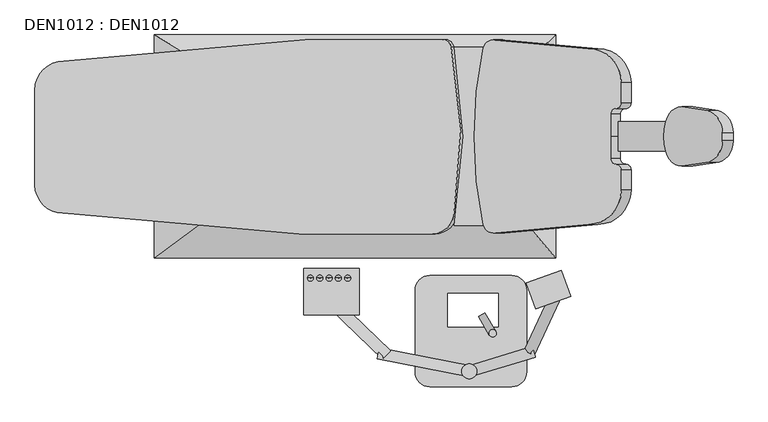
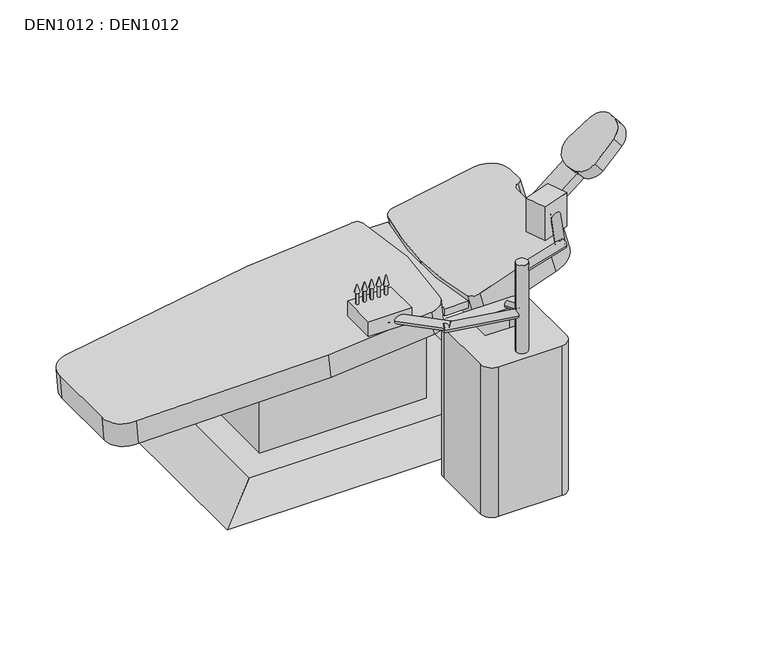
"""IFC4 building model written with IfcOpenShell, lengths in millimetres: proxy geometry, DEN1012 : DEN1012."""

from ifc_helpers import new_model, si_unit, point, frame, frame_2d, origin, origin_with_axes, place, context, project, spatial, polyline, circle_curve, trimmed, segment, composite_curve, outline, extrude, faceted_brep, source, transform, mapped, element, save
from ifc_brep_helpers import plane_surface, revolved_surface, advanced_brep


def den1012_den1012_ed4fbd53(model_context):
    return source(origin(), model_context, "Body", "SolidModel", [
        extrude(outline(composite_curve([segment(trimmed(circle_curve(frame_2d((0.0, -10.0000001)), 10.0), [point((0.0, -20.0))], [point((0.0, 0.0))], False, "CARTESIAN"), True, "CONTINUOUS"), segment(trimmed(circle_curve(frame_2d((0.0, -10.0000001)), 10.0), [point((0.0, 0.0))], [point((0.0, -20.0))], False, "CARTESIAN"), True, "CONTINUOUS")], self_intersect=False)), frame((-692.303013, -525.3629724, 615.1540816), z_axis=(-0.4999999999999925, 0.866025403784443, 0.0), x_axis=(0.0, 0.0, 1.0)), (0.0, 0.0, 1.0), 57.6129318),
        extrude(outline(composite_curve([segment(trimmed(circle_curve(frame_2d((-700.2561574, -530.0439925)), 10.0), [point((-695.2561574, -538.7042466))], [point((-705.2561574, -521.3837385))], False, "CARTESIAN"), True, "CONTINUOUS"), segment(trimmed(circle_curve(frame_2d((-700.2561574, -530.0439925)), 10.0), [point((-705.2561574, -521.3837385))], [point((-695.2561574, -538.7042466))], False, "CARTESIAN"), True, "CONTINUOUS")], self_intersect=False)), frame((0.0, 0.0, 550.0), z_axis=(0.0, 0.0, 1.0), x_axis=(1.0, 0.0, 0.0)), (0.0, 0.0, 1.0), 81.7298585),
        extrude(outline(polyline([(-516.3938339, -360.2493736), (-490.7423232, -430.7263202), (-584.7115852, -464.9283345), (-610.363096, -394.451388), (-516.3938339, -360.2493736)])), frame((0.0, 0.0, 787.8177316), z_axis=(0.0, 0.0, 1.0), x_axis=(1.0, 0.0, 0.0)), (0.0, 0.0, 1.0), 122.0281806),
        extrude(outline(composite_curve([segment(trimmed(circle_curve(frame_2d((0.0, -15.0)), 15.0), [point((0.0, -30.0))], [point((0.0, 0.0))], False, "CARTESIAN"), True, "CONTINUOUS"), segment(trimmed(circle_curve(frame_2d((0.0, -15.0)), 15.0), [point((0.0, 0.0))], [point((0.0, -30.0))], False, "CARTESIAN"), True, "CONTINUOUS")], self_intersect=False)), frame((-588.1709707, -589.0718243, 848.546314), z_axis=(0.4226182617407122, 0.906307787036644, 0.0), x_axis=(0.0, 0.0, 1.0)), (0.0, 0.0, 1.0), 178.6787431),
        advanced_brep(
        [(-1091.2386766, -381.5206893, 787.8177316), (-1089.6656345, -381.5206893, 787.8177316), (-1098.5958029, -381.5206893, 753.4267351), (-1082.3085083, -381.5206893, 753.4267351)],
        [
            (0, 1, circle_curve(frame((-1090.4521556, -381.5206893, 787.8177316), z_axis=(0.0, 0.0, 1.0), x_axis=(-1.0, 0.0, 0.0)), 0.7865211)),
            (1, 0, circle_curve(frame((-1090.4521556, -381.5206893, 787.8177316), z_axis=(0.0, 0.0, 1.0), x_axis=(1.0, 0.0, 0.0)), 0.7865211)),
            (2, 3, circle_curve(frame((-1090.4521556, -381.5206893, 753.4267351), z_axis=(0.0, 0.0, -1.0), x_axis=(1.0, 0.0, 0.0)), 8.1436473)),
            (3, 2, circle_curve(frame((-1090.4521556, -381.5206893, 753.4267351), z_axis=(0.0, 0.0, -1.0), x_axis=(-1.0, 0.0, 0.0)), 8.1436473)),
            (3, 1),
            (0, 2),
        ],
        [
            plane_surface(frame((-1090.4521556, -381.5206893, 787.8177316), z_axis=(0.0, 0.0, 1.0), x_axis=(0.0, -1.0, 0.0))),
            plane_surface(frame((-1090.4521556, -381.5206893, 753.4267351), z_axis=(0.0, 0.0, -1.0), x_axis=(0.0, -1.0, 0.0))),
            revolved_surface(polyline([(-1091.238676651691, -381.5206893, 787.8177316), (-1098.5958029, -381.5206893, 753.4267351)]), (-1090.4521556, -381.5206893, 791.494336), (0.0, 0.0, -1.0)),
            revolved_surface(polyline([(-1089.6656345483088, -381.5206893, 787.8177316), (-1082.3085083, -381.5206893, 753.4267351)]), (-1090.4521556, -381.5206893, 791.494336), (0.0, 0.0, -1.0)),
        ],
        [
            (0, [[1, 2]]),
            (1, [[3, 4]]),
            (2, [[-4, 5, -1, 6]]),
            (3, [[-3, -6, -2, -5]]),
        ],
    ),
        advanced_brep(
        [(-1116.2386766, -381.5206893, 787.8177316), (-1114.6656345, -381.5206893, 787.8177316), (-1123.5958029, -381.5206893, 760.4286091), (-1107.3085083, -381.5206893, 760.4286091)],
        [
            (0, 1, circle_curve(frame((-1115.4521556, -381.5206893, 787.8177316), z_axis=(0.0, 0.0, 1.0), x_axis=(-1.0, 0.0, 0.0)), 0.7865211)),
            (1, 0, circle_curve(frame((-1115.4521556, -381.5206893, 787.8177316), z_axis=(0.0, 0.0, 1.0), x_axis=(1.0, 0.0, 0.0)), 0.7865211)),
            (2, 3, circle_curve(frame((-1115.4521556, -381.5206893, 760.4286091), z_axis=(0.0, 0.0, -1.0), x_axis=(1.0, 0.0, 0.0)), 8.1436473)),
            (3, 2, circle_curve(frame((-1115.4521556, -381.5206893, 760.4286091), z_axis=(0.0, 0.0, -1.0), x_axis=(-1.0, 0.0, 0.0)), 8.1436473)),
            (3, 1),
            (0, 2),
        ],
        [
            plane_surface(frame((-1115.4521556, -381.5206893, 787.8177316), z_axis=(0.0, 0.0, 1.0), x_axis=(0.0, -1.0, 0.0))),
            plane_surface(frame((-1115.4521556, -381.5206893, 760.4286091), z_axis=(0.0, 0.0, -1.0), x_axis=(0.0, -1.0, 0.0))),
            revolved_surface(polyline([(-1116.2386766394065, -381.5206893, 787.8177316), (-1123.5958029, -381.5206893, 760.4286091)]), (-1115.4521556, -381.5206893, 790.7457935), (0.0, 0.0, -1.0)),
            revolved_surface(polyline([(-1114.6656345605934, -381.5206893, 787.8177316), (-1107.3085083, -381.5206893, 760.4286091)]), (-1115.4521556, -381.5206893, 790.7457935), (0.0, 0.0, -1.0)),
        ],
        [
            (0, [[1, 2]]),
            (1, [[3, 4]]),
            (2, [[-4, 5, -1, 6]]),
            (3, [[-3, -6, -2, -5]]),
        ],
    ),
        advanced_brep(
        [(-1141.2386766, -381.5206893, 787.8177316), (-1139.6656345, -381.5206893, 787.8177316), (-1148.5958029, -381.5206893, 760.4286091), (-1132.3085083, -381.5206893, 760.4286091)],
        [
            (0, 1, circle_curve(frame((-1140.4521556, -381.5206893, 787.8177316), z_axis=(0.0, 0.0, 1.0), x_axis=(-1.0, 0.0, 0.0)), 0.7865211)),
            (1, 0, circle_curve(frame((-1140.4521556, -381.5206893, 787.8177316), z_axis=(0.0, 0.0, 1.0), x_axis=(1.0, 0.0, 0.0)), 0.7865211)),
            (2, 3, circle_curve(frame((-1140.4521556, -381.5206893, 760.4286091), z_axis=(0.0, 0.0, -1.0), x_axis=(1.0, 0.0, 0.0)), 8.1436473)),
            (3, 2, circle_curve(frame((-1140.4521556, -381.5206893, 760.4286091), z_axis=(0.0, 0.0, -1.0), x_axis=(-1.0, 0.0, 0.0)), 8.1436473)),
            (3, 1),
            (0, 2),
        ],
        [
            plane_surface(frame((-1140.4521556, -381.5206893, 787.8177316), z_axis=(0.0, 0.0, 1.0), x_axis=(0.0, -1.0, 0.0))),
            plane_surface(frame((-1140.4521556, -381.5206893, 760.4286091), z_axis=(0.0, 0.0, -1.0), x_axis=(0.0, -1.0, 0.0))),
            revolved_surface(polyline([(-1141.2386766394065, -381.5206893, 787.8177316), (-1148.5958029, -381.5206893, 760.4286091)]), (-1140.4521556, -381.5206893, 790.7457935), (0.0, 0.0, -1.0)),
            revolved_surface(polyline([(-1139.6656345605934, -381.5206893, 787.8177316), (-1132.3085083, -381.5206893, 760.4286091)]), (-1140.4521556, -381.5206893, 790.7457935), (0.0, 0.0, -1.0)),
        ],
        [
            (0, [[1, 2]]),
            (1, [[3, 4]]),
            (2, [[-4, 5, -1, 6]]),
            (3, [[-3, -6, -2, -5]]),
        ],
    ),
        advanced_brep(
        [(-1166.2386766, -381.5206893, 787.8177316), (-1164.6656345, -381.5206893, 787.8177316), (-1173.5958029, -381.5206893, 760.4286091), (-1157.3085083, -381.5206893, 760.4286091)],
        [
            (0, 1, circle_curve(frame((-1165.4521556, -381.5206893, 787.8177316), z_axis=(0.0, 0.0, 1.0), x_axis=(-1.0, 0.0, 0.0)), 0.7865211)),
            (1, 0, circle_curve(frame((-1165.4521556, -381.5206893, 787.8177316), z_axis=(0.0, 0.0, 1.0), x_axis=(1.0, 0.0, 0.0)), 0.7865211)),
            (2, 3, circle_curve(frame((-1165.4521556, -381.5206893, 760.4286091), z_axis=(0.0, 0.0, -1.0), x_axis=(1.0, 0.0, 0.0)), 8.1436473)),
            (3, 2, circle_curve(frame((-1165.4521556, -381.5206893, 760.4286091), z_axis=(0.0, 0.0, -1.0), x_axis=(-1.0, 0.0, 0.0)), 8.1436473)),
            (3, 1),
            (0, 2),
        ],
        [
            plane_surface(frame((-1165.4521556, -381.5206893, 787.8177316), z_axis=(0.0, 0.0, 1.0), x_axis=(0.0, -1.0, 0.0))),
            plane_surface(frame((-1165.4521556, -381.5206893, 760.4286091), z_axis=(0.0, 0.0, -1.0), x_axis=(0.0, -1.0, 0.0))),
            revolved_surface(polyline([(-1166.2386766394065, -381.5206893, 787.8177316), (-1173.5958029, -381.5206893, 760.4286091)]), (-1165.4521556, -381.5206893, 790.7457935), (0.0, 0.0, -1.0)),
            revolved_surface(polyline([(-1164.6656345605934, -381.5206893, 787.8177316), (-1157.3085083, -381.5206893, 760.4286091)]), (-1165.4521556, -381.5206893, 790.7457935), (0.0, 0.0, -1.0)),
        ],
        [
            (0, [[1, 2]]),
            (1, [[3, 4]]),
            (2, [[-4, 5, -1, 6]]),
            (3, [[-3, -6, -2, -5]]),
        ],
    ),
        advanced_brep(
        [(-1191.2386766, -381.5206893, 787.8177316), (-1189.6656345, -381.5206893, 787.8177316), (-1198.5958029, -381.5206893, 760.4286091), (-1182.3085083, -381.5206893, 760.4286091)],
        [
            (0, 1, circle_curve(frame((-1190.4521556, -381.5206893, 787.8177316), z_axis=(0.0, 0.0, 1.0), x_axis=(-1.0, 0.0, 0.0)), 0.7865211)),
            (1, 0, circle_curve(frame((-1190.4521556, -381.5206893, 787.8177316), z_axis=(0.0, 0.0, 1.0), x_axis=(1.0, 0.0, 0.0)), 0.7865211)),
            (2, 3, circle_curve(frame((-1190.4521556, -381.5206893, 760.4286091), z_axis=(0.0, 0.0, -1.0), x_axis=(1.0, 0.0, 0.0)), 8.1436473)),
            (3, 2, circle_curve(frame((-1190.4521556, -381.5206893, 760.4286091), z_axis=(0.0, 0.0, -1.0), x_axis=(-1.0, 0.0, 0.0)), 8.1436473)),
            (3, 1),
            (0, 2),
        ],
        [
            plane_surface(frame((-1190.4521556, -381.5206893, 787.8177316), z_axis=(0.0, 0.0, 1.0), x_axis=(0.0, -1.0, 0.0))),
            plane_surface(frame((-1190.4521556, -381.5206893, 760.4286091), z_axis=(0.0, 0.0, -1.0), x_axis=(0.0, -1.0, 0.0))),
            revolved_surface(polyline([(-1191.2386766394065, -381.5206893, 787.8177316), (-1198.5958029, -381.5206893, 760.4286091)]), (-1190.4521556, -381.5206893, 790.7457935), (0.0, 0.0, -1.0)),
            revolved_surface(polyline([(-1189.6656345605934, -381.5206893, 787.8177316), (-1182.3085083, -381.5206893, 760.4286091)]), (-1190.4521556, -381.5206893, 790.7457935), (0.0, 0.0, -1.0)),
        ],
        [
            (0, [[1, 2]]),
            (1, [[3, 4]]),
            (2, [[-4, 5, -1, 6]]),
            (3, [[-3, -6, -2, -5]]),
        ],
    ),
        extrude(outline(composite_curve([segment(trimmed(circle_curve(frame_2d((-1090.1808886, -381.425779)), 5.0), [point((-1095.1808886, -381.425779))], [point((-1085.1808886, -381.425779))], False, "CARTESIAN"), True, "CONTINUOUS"), segment(trimmed(circle_curve(frame_2d((-1090.1808886, -381.425779)), 5.0), [point((-1085.1808886, -381.425779))], [point((-1095.1808886, -381.425779))], False, "CARTESIAN"), True, "CONTINUOUS")], self_intersect=False)), frame((0.0, 0.0, 717.6094699), z_axis=(0.0, 0.0, 1.0), x_axis=(1.0, 0.0, 0.0)), (0.0, 0.0, 1.0), 42.8191392),
        extrude(outline(composite_curve([segment(trimmed(circle_curve(frame_2d((-1115.1808886, -381.425779)), 5.0), [point((-1120.1808886, -381.425779))], [point((-1110.1808886, -381.425779))], False, "CARTESIAN"), True, "CONTINUOUS"), segment(trimmed(circle_curve(frame_2d((-1115.1808886, -381.425779)), 5.0), [point((-1110.1808886, -381.425779))], [point((-1120.1808886, -381.425779))], False, "CARTESIAN"), True, "CONTINUOUS")], self_intersect=False)), frame((0.0, 0.0, 717.6094699), z_axis=(0.0, 0.0, 1.0), x_axis=(1.0, 0.0, 0.0)), (0.0, 0.0, 1.0), 42.8191392),
        extrude(outline(composite_curve([segment(trimmed(circle_curve(frame_2d((-1140.1808886, -381.425779)), 5.0), [point((-1145.1808886, -381.425779))], [point((-1135.1808886, -381.425779))], False, "CARTESIAN"), True, "CONTINUOUS"), segment(trimmed(circle_curve(frame_2d((-1140.1808886, -381.425779)), 5.0), [point((-1135.1808886, -381.425779))], [point((-1145.1808886, -381.425779))], False, "CARTESIAN"), True, "CONTINUOUS")], self_intersect=False)), frame((0.0, 0.0, 717.6094699), z_axis=(0.0, 0.0, 1.0), x_axis=(1.0, 0.0, 0.0)), (0.0, 0.0, 1.0), 42.8191392),
        extrude(outline(composite_curve([segment(trimmed(circle_curve(frame_2d((-1165.1808886, -381.425779)), 5.0), [point((-1170.1808886, -381.425779))], [point((-1160.1808886, -381.425779))], False, "CARTESIAN"), True, "CONTINUOUS"), segment(trimmed(circle_curve(frame_2d((-1165.1808886, -381.425779)), 5.0), [point((-1160.1808886, -381.425779))], [point((-1170.1808886, -381.425779))], False, "CARTESIAN"), True, "CONTINUOUS")], self_intersect=False)), frame((0.0, 0.0, 717.6094699), z_axis=(0.0, 0.0, 1.0), x_axis=(1.0, 0.0, 0.0)), (0.0, 0.0, 1.0), 42.8191392),
        extrude(outline(composite_curve([segment(trimmed(circle_curve(frame_2d((-1190.1808886, -381.425779)), 5.0), [point((-1195.1808886, -381.425779))], [point((-1185.1808886, -381.425779))], False, "CARTESIAN"), True, "CONTINUOUS"), segment(trimmed(circle_curve(frame_2d((-1190.1808886, -381.425779)), 5.0), [point((-1185.1808886, -381.425779))], [point((-1195.1808886, -381.425779))], False, "CARTESIAN"), True, "CONTINUOUS")], self_intersect=False)), frame((0.0, 0.0, 717.6094699), z_axis=(0.0, 0.0, 1.0), x_axis=(1.0, 0.0, 0.0)), (0.0, 0.0, 1.0), 42.8191392),
        extrude(outline(polyline([(-1059.0091098, -355.9601524), (-1059.0091098, -480.9601524), (-1209.0091098, -480.9601524), (-1209.0091098, -355.9601524), (-1059.0091098, -355.9601524)])), frame((0.0, 0.0, 663.1064969), z_axis=(0.0, 0.0, 1.0), x_axis=(1.0, 0.0, 0.0)), (0.0, 0.0, 1.0), 54.502973),
        extrude(outline(composite_curve([segment(trimmed(circle_curve(frame_2d((0.0, -15.9801888)), 15.9801888), [point((0.0, -31.9603777))], [point((0.0, 0.0))], False, "CARTESIAN"), True, "CONTINUOUS"), segment(trimmed(circle_curve(frame_2d((0.0, -15.9801888)), 15.9801888), [point((0.0, 0.0))], [point((0.0, -31.9603777))], False, "CARTESIAN"), True, "CONTINUOUS")], self_intersect=False)), frame((-996.625231, -599.7949572, 688.3454789), z_axis=(-0.7191753113370806, 0.6948286634582753, 0.0), x_axis=(0.0, 0.0, -1.0)), (0.0, 0.0, 1.0), 195.7516229),
        extrude(outline(composite_curve([segment(trimmed(circle_curve(frame_2d((0.0, -14.9999999)), 15.0), [point((0.0, -30.0))], [point((0.0, 0.0))], False, "CARTESIAN"), True, "CONTINUOUS"), segment(trimmed(circle_curve(frame_2d((0.0, -14.9999999)), 15.0), [point((0.0, 0.0))], [point((0.0, -30.0))], False, "CARTESIAN"), True, "CONTINUOUS")], self_intersect=False)), frame((-756.2332988, -646.3606294, 848.546314), z_axis=(0.9563047559630374, 0.29237170472273044, 0.0), x_axis=(0.0, 0.0, 1.0)), (0.0, 0.0, 1.0), 178.6787431),
        extrude(outline(composite_curve([segment(trimmed(circle_curve(frame_2d((0.0, -15.0)), 15.0), [point((0.0, -30.0))], [point((0.0, 0.0))], False, "CARTESIAN"), True, "CONTINUOUS"), segment(trimmed(circle_curve(frame_2d((0.0, -15.0)), 15.0), [point((0.0, 0.0))], [point((0.0, -30.0))], False, "CARTESIAN"), True, "CONTINUOUS")], self_intersect=False)), frame((-763.4810093, -647.0259364, 687.2195507), z_axis=(-0.9816271834476628, 0.1908089953765514, 0.0), x_axis=(0.0, 0.0, -1.0)), (0.0, 0.0, 1.0), 252.1450401),
        extrude(outline(composite_curve([segment(trimmed(circle_curve(frame_2d((-763.3528906, -632.5249444)), 20.0), [point((-783.3528906, -632.5249444))], [point((-743.3528906, -632.5249444))], False, "CARTESIAN"), True, "CONTINUOUS"), segment(trimmed(circle_curve(frame_2d((-763.3528906, -632.5249444)), 20.0), [point((-743.3528906, -632.5249444))], [point((-783.3528906, -632.5249444))], False, "CARTESIAN"), True, "CONTINUOUS")], self_intersect=False)), origin_with_axes(), (0.0, 0.0, 1.0), 873.3443808),
        extrude(outline(composite_curve([segment(trimmed(circle_curve(frame_2d((-649.2552153, -414.1016886)), 40.0), [point((-649.2552153, -374.1016886))], [point((-609.2552153, -414.1016886))], False, "CARTESIAN"), True, "CONTINUOUS"), segment(polyline([(-609.2552153, -414.1016886), (-609.2552153, -634.1016886)]), True, "CONTINUOUS"), segment(trimmed(circle_curve(frame_2d((-649.2552153, -634.1016886)), 40.0), [point((-609.2552153, -634.1016886))], [point((-649.2552153, -674.1016886))], False, "CARTESIAN"), True, "CONTINUOUS"), segment(polyline([(-649.2552153, -674.1016886), (-869.2552153, -674.1016886)]), True, "CONTINUOUS"), segment(trimmed(circle_curve(frame_2d((-869.2552153, -634.1016886)), 40.0), [point((-869.2552153, -674.1016886))], [point((-909.2552153, -634.1016886))], False, "CARTESIAN"), True, "CONTINUOUS"), segment(polyline([(-909.2552153, -634.1016886), (-909.2552153, -414.1016886)]), True, "CONTINUOUS"), segment(trimmed(circle_curve(frame_2d((-869.2552153, -414.1016886)), 40.0), [point((-909.2552153, -414.1016886))], [point((-869.2552153, -374.1016886))], False, "CARTESIAN"), True, "CONTINUOUS"), segment(polyline([(-869.2552153, -374.1016886), (-649.2552153, -374.1016886)]), True, "CONTINUOUS")], self_intersect=False), holes=[polyline([(-685.6631049, -422.7269215), (-820.6631049, -422.7269215), (-820.6631049, -512.7269215), (-685.6631049, -512.7269215), (-685.6631049, -422.7269215)])]), origin_with_axes(), (0.0, 0.0, 1.0), 550.0),
        extrude(outline(polyline([(-804.5942906, 109.966745), (-804.5942906, -130.033255), (-1384.5942906, -130.033255), (-1384.5942906, 109.966745), (-804.5942906, 109.966745)])), origin_with_axes(), (0.0, 0.0, 1.0), 444.2687784),
        faceted_brep([(-615.877744, 192.5565362, 83.4671919), (-1475.877744, 192.5565362, 83.4671919), (-1475.877744, -227.4434638, 83.4671919), (-615.877744, -227.4434638, 83.4671919), (-530.7793993, 273.4975294, 0.0), (-530.7793993, -326.5024706, 0.0), (-1610.7793993, -326.5024706, 0.0), (-1610.7793993, 273.4975294, 0.0)], [[[0, 1, 2, 3]], [[4, 5, 6, 7]], [[4, 7, 1, 0]], [[7, 6, 2, 1]], [[6, 5, 3, 2]], [[5, 4, 0, 3]]]),
        extrude(outline(polyline([(0.0, 0.0), (0.0, -80.0), (-173.4299809, -80.0), (-173.4299809, 0.0), (0.0, 0.0)])), frame((-340.1564959, -40.0, 518.8145314), z_axis=(-0.6293203910498321, 0.0, 0.7771459614569753), x_axis=(-0.7771459614569753, 0.0, -0.6293203910498321)), (0.0, 0.0, 1.0), 35.247891),
        extrude(outline(composite_curve([segment(trimmed(circle_curve(frame_2d((-19.9950374, -176.5241332)), 60.004961), [point((-40.0, -233.0961831))], [point((-79.999981, -176.4784034))], False, "CARTESIAN"), True, "CONTINUOUS"), segment(polyline([(-79.999981, -176.4784034), (-69.2930703, -87.3429478)]), True, "CONTINUOUS"), segment(trimmed(circle_curve(frame_2d((-8.5878339, -98.193522)), 61.6673389), [point((-69.2930703, -87.3429478))], [point((-8.5878339, -36.526183))], False, "CARTESIAN"), True, "CONTINUOUS"), segment(polyline([(-8.5878339, -36.526183), (11.5236944, -36.526183)]), True, "CONTINUOUS"), segment(trimmed(circle_curve(frame_2d((9.9659965, -96.5427473)), 60.0367755), [point((11.5236944, -36.526183))], [point((68.5892493, -83.591738))], False, "CARTESIAN"), True, "CONTINUOUS"), segment(polyline([(68.5892493, -83.591738), (80.0092704, -176.6003466)]), True, "CONTINUOUS"), segment(trimmed(circle_curve(frame_2d((19.9751208, -176.5001287)), 60.0342332), [point((80.0092704, -176.6003466))], [point((40.0, -233.0961831))], False, "CARTESIAN"), True, "CONTINUOUS"), segment(trimmed(circle_curve(frame_2d((0.0, -119.9801512)), 119.9801512), [point((40.0, -233.0961831))], [point((-40.0, -233.0961831))], False, "CARTESIAN"), True, "CONTINUOUS")], self_intersect=False)), frame((-25.4464485, 0.0, 773.6617029), z_axis=(-0.629320391049832, 0.0, 0.7771459614569753), x_axis=(0.0, -1.0, 0.0)), (0.0, 0.0, 1.0), 45.5285258),
        extrude(outline(composite_curve([segment(trimmed(circle_curve(frame_2d((1379.1906834, -18.7672106)), 1409.4103761), [point((-30.2013491, -25.9579642))], [point((-7.540856, 233.0526573))], False, "CARTESIAN"), True, "CONTINUOUS"), segment(trimmed(circle_curve(frame_2d((84.537641, 233.0526573)), 92.0784969), [point((-7.540856, 233.0526573))], [point((84.537641, 325.1311542))], False, "CARTESIAN"), True, "CONTINUOUS"), segment(polyline([(84.537641, 325.1311542), (139.0878791, 325.1311542)]), True, "CONTINUOUS"), segment(trimmed(circle_curve(frame_2d((139.0878791, 309.7950499)), 15.3361043), [point((139.0878791, 325.1311542))], [point((154.4239823, 309.8009537))], False, "CARTESIAN"), True, "CONTINUOUS"), segment(trimmed(circle_curve(frame_2d((169.409441, 310.3189427)), 14.9944085), [point((154.4239823, 309.8009537))], [point((169.409441, 295.3245343))], True, "CARTESIAN"), True, "CONTINUOUS"), segment(polyline([(169.409441, 295.3245343), (229.4333308, 295.3245343), (289.1271609, 295.3245343)]), True, "CONTINUOUS"), segment(trimmed(circle_curve(frame_2d((289.1271609, 310.3189427)), 14.9944085), [point((289.1271609, 295.3245343))], [point((304.1126196, 309.8009537))], True, "CARTESIAN"), True, "CONTINUOUS"), segment(trimmed(circle_curve(frame_2d((319.4487228, 309.7950499)), 15.3361043), [point((304.1126196, 309.8009537))], [point((319.4487228, 325.1311542))], False, "CARTESIAN"), True, "CONTINUOUS"), segment(polyline([(319.4487228, 325.1311542), (373.998961, 325.1311542)]), True, "CONTINUOUS"), segment(trimmed(circle_curve(frame_2d((373.998961, 233.0526573)), 92.0784969), [point((373.998961, 325.1311542))], [point((466.0774579, 233.0526573))], False, "CARTESIAN"), True, "CONTINUOUS"), segment(trimmed(circle_curve(frame_2d((-920.6540815, -18.7672106)), 1409.4103761), [point((466.0774579, 233.0526573))], [point((488.737951, -25.9579642))], False, "CARTESIAN"), True, "CONTINUOUS"), segment(trimmed(circle_curve(frame_2d((458.5366019, -30.5481851)), 30.5481851), [point((488.737951, -25.9579642))], [point((468.059578, -59.5741139))], False, "CARTESIAN"), True, "CONTINUOUS"), segment(trimmed(circle_curve(frame_2d((231.3250797, 1036.6987682)), 1121.5424445), [point((468.059578, -59.5741139))], [point((229.268301, -84.8417903))], False, "CARTESIAN"), True, "CONTINUOUS"), segment(trimmed(circle_curve(frame_2d((227.2115222, 1036.6987682)), 1121.5424445), [point((229.268301, -84.8417903))], [point((-9.5229761, -59.5741139))], False, "CARTESIAN"), True, "CONTINUOUS"), segment(trimmed(circle_curve(frame_2d((0.0, -30.5481851)), 30.5481851), [point((-9.5229761, -59.5741139))], [point((-30.2013491, -25.9579642))], False, "CARTESIAN"), True, "CONTINUOUS")], self_intersect=False)), frame((-642.4320332, 229.4333308, 417.3464817), z_axis=(-0.2588190451025141, 0.0, 0.9659258262890701), x_axis=(0.0, -1.0, 0.0)), (0.0, 0.0, 1.0), 99.8690244),
        extrude(outline(composite_curve([segment(trimmed(circle_curve(frame_2d((337.7488106, 4.7954778)), 1087.9249703), [point((-724.3229464, 240.5587574))], [point((-722.2775641, -240.0))], True, "CARTESIAN"), True, "CONTINUOUS"), segment(polyline([(-722.2775641, -240.0), (-804.3229464, -240.0)]), True, "CONTINUOUS"), segment(trimmed(circle_curve(frame_2d((-1983.5295039, 0.2793787)), 1203.4376948), [point((-804.3229464, -240.0))], [point((-804.3229464, 240.5587574))], True, "CARTESIAN"), True, "CONTINUOUS"), segment(polyline([(-804.3229464, 240.5587574), (-724.3229464, 240.5587574)]), True, "CONTINUOUS")], self_intersect=False)), frame((0.0, 0.0, 451.6118332), z_axis=(0.0, 0.0, 1.0), x_axis=(1.0, 0.0, 0.0)), (0.0, 0.0, 1.0), 24.9930779),
        extrude(outline(composite_curve([segment(polyline([(0.0, -150.8152283), (-256.2111619, -150.8152283)]), True, "CONTINUOUS"), segment(trimmed(circle_curve(frame_2d((-256.2111619, -73.3228506)), 77.4923776), [point((-256.2111619, -150.8152283))], [point((-333.7035395, -73.3228506))], False, "CARTESIAN"), True, "CONTINUOUS"), segment(polyline([(-333.7035395, -73.3228506), (-390.790551, 579.1846767), (-390.790551, 939.5419239)]), True, "CONTINUOUS"), segment(trimmed(circle_curve(frame_2d((-365.7417529, 947.5288069)), 26.2913025), [point((-390.790551, 939.5419239))], [point((-371.3493084, 973.2151439))], False, "CARTESIAN"), True, "CONTINUOUS"), segment(trimmed(circle_curve(frame_2d((-130.1281466, -131.7383511)), 1130.977398), [point((-371.3493084, 973.2151439))], [point((72.383749, 980.9605333))], False, "CARTESIAN"), True, "CONTINUOUS"), segment(trimmed(circle_curve(frame_2d((72.383749, 922.1569927)), 58.8035406), [point((72.383749, 980.9605333))], [point((131.1872895, 922.1569927))], False, "CARTESIAN"), True, "CONTINUOUS"), segment(polyline([(131.1872895, 922.1569927), (131.1872895, 562.1569927), (75.4076142, -75.4076141)]), True, "CONTINUOUS"), segment(trimmed(circle_curve(frame_2d((0.0, -75.4076141)), 75.4076141), [point((75.4076142, -75.4076141))], [point((0.0, -150.8152283))], False, "CARTESIAN"), True, "CONTINUOUS")], self_intersect=False)), frame((-1773.8833073, -130.790551, 333.8856152), z_axis=(-0.08658312327192787, 0.0, 0.9962446299802464), x_axis=(0.0, -1.0, 0.0)), (0.0, 0.0, 1.0), 85.6661194),
    ])


if __name__ == "__main__":
    model = new_model("IFC4")
    model_context = context("Model", 3, world=origin())
    ifc_project = project(units=[si_unit("LENGTHUNIT", "METRE", prefix="MILLI")], contexts=[model_context])
    site = spatial("IfcSite", under=ifc_project)
    building = spatial("IfcBuilding", under=site)
    placement = place(None, origin())
    den1012_den1012_shape = den1012_den1012_ed4fbd53(model_context)
    element("IfcBuildingElementProxy", 1, Name="DEN1012 : DEN1012", ObjectType="DEN1012 : DEN1012", at=placement, inside=building, context=model_context, shape_type="MappedRepresentation", body=[
        mapped(den1012_den1012_shape, transform((0.0, 0.0, 0.0), x_axis=(1.0, 0.0, 0.0), y_axis=(0.0, 1.0, 0.0), z_axis=(0.0, 0.0, 1.0))),
    ])
    save(model, "model.ifc")
